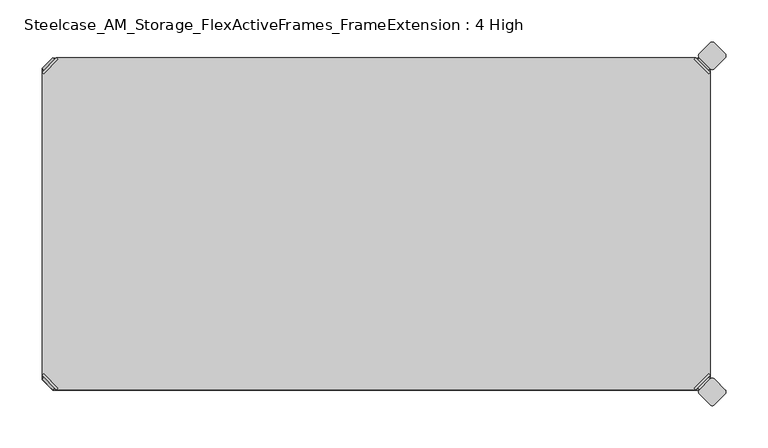
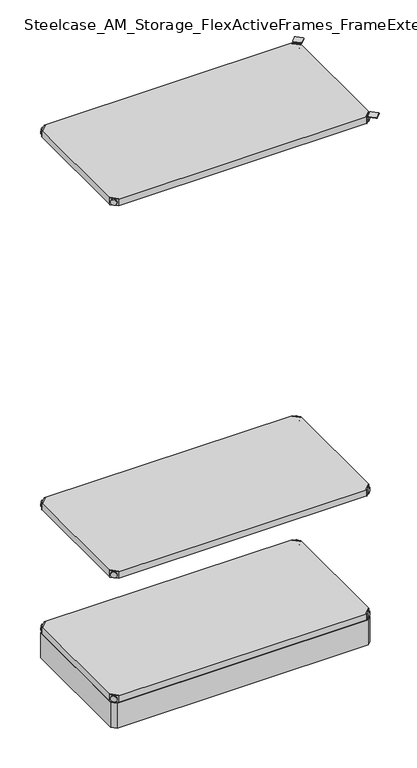
"""IFC4 building model written with IfcOpenShell, lengths in millimetres: furniture geometry, Steelcase_AM_Storage_FlexActiveFrames_FrameExtension : 4 High."""

from ifc_helpers import new_model, si_unit, point, frame, frame_2d, origin, place, context, project, spatial, polyline, circle_curve, trimmed, segment, composite_curve, outline, extrude, source, transform, mapped, element, save
from ifc_brep_helpers import plane_surface, cylinder_surface, advanced_brep


def steelcase_am_storage_flexactiveframes_frameextension_4_high_f2792eac(model_context):
    return source(origin(), model_context, "Body", "SolidModel", [
        advanced_brep(
        [(2.54, -380.2870969, 520.2936), (19.7629031, -397.51, 520.2936), (21.5589544, -395.7139488, 520.2936), (4.3360512, -378.4910456, 520.2936), (2.54, -380.2870969, 498.9576), (19.7629031, -397.51, 498.9576), (4.8652723, -382.6123691, 510.1336), (17.4376309, -395.1847277, 510.1336), (30.2920522, -352.5350447, 499.9736), (4.3360512, -378.4910456, 499.9736), (21.5589544, -395.7139488, 499.9736), (47.5149553, -369.7579478, 499.9736), (30.2920522, -352.5350447, 498.9576), (47.5149553, -369.7579478, 498.9576), (15.1227513, -397.4996073, 510.1336), (2.5503927, -384.9272487, 510.1336)],
        [
            (0, 1),
            (1, 2),
            (2, 3),
            (3, 0),
            (0, 4),
            (4, 5),
            (5, 1),
            (6, 7, circle_curve(frame((11.1514516, -388.8985484, 510.1336), z_axis=(0.7071067811865446, 0.7071067811865505, 0.0), x_axis=(-0.7071067811865505, 0.7071067811865446, 0.0)), 8.89)),
            (7, 6, circle_curve(frame((11.1514516, -388.8985484, 510.1336), z_axis=(0.7071067811865446, 0.7071067811865505, 0.0), x_axis=(-0.7071067811865505, 0.7071067811865446, 0.0)), 8.89)),
            (8, 9),
            (9, 10),
            (10, 11),
            (11, 8, circle_curve(frame((38.9035037, -361.1464963, 499.9736), z_axis=(0.0, 0.0, 1.0), x_axis=(1.0, 0.0, 0.0)), 12.1784316)),
            (12, 13, circle_curve(frame((38.9035037, -361.1464963, 498.9576), z_axis=(0.0, 0.0, -1.0), x_axis=(1.0, 0.0, 0.0)), 12.1784316)),
            (13, 5),
            (4, 12),
            (14, 15, circle_curve(frame((8.836572, -391.213428, 510.1336), z_axis=(-0.7071067811865446, -0.7071067811865505, 0.0), x_axis=(-0.7071067811865505, 0.7071067811865446, 0.0)), 8.89)),
            (15, 14, circle_curve(frame((8.836572, -391.213428, 510.1336), z_axis=(-0.7071067811865446, -0.7071067811865505, 0.0), x_axis=(-0.7071067811865505, 0.7071067811865446, 0.0)), 8.89)),
            (15, 6),
            (7, 14),
            (2, 10),
            (9, 3),
            (11, 13),
            (12, 8),
        ],
        [
            plane_surface(frame((-19.6579872, -402.485084, 520.2936), z_axis=(0.0, 0.0, 1.0000000000000002), x_axis=(0.7071067811865436, 0.7071067811865516, 0.0))),
            plane_surface(frame((19.7629031, -397.51, 520.2936), z_axis=(-0.7071067811865447, -0.7071067811865503, 0.0), x_axis=(0.0, 0.0, -1.0))),
            plane_surface(frame((51.0819353, -361.1464963, 499.9736), z_axis=(0.0, 0.0, 1.0), x_axis=(0.0, -1.0, 0.0))),
            plane_surface(frame((51.0819353, -361.1464963, 498.9576), z_axis=(0.0, 0.0, -1.0), x_axis=(0.0, 1.0, 0.0))),
            plane_surface(frame((2.5503927, -384.9272487, 510.1336), z_axis=(-0.7071067811865446, -0.7071067811865505, 0.0), x_axis=(0.0, 0.0, 1.0))),
            cylinder_surface(frame((11.1514516, -388.8985484, 510.1336), z_axis=(-0.7071067811865446, -0.7071067811865505, 0.0), x_axis=(-0.7071067811865505, 0.7071067811865446, 0.0)), 8.89),
            plane_surface(frame((4.3360512, -378.4910456, 520.2936), z_axis=(0.7071067811865447, 0.7071067811865503, 0.0), x_axis=(0.0, 0.0, -1.0))),
            cylinder_surface(frame((38.9035037, -361.1464963, 498.9576), z_axis=(0.0, 0.0, 1.0), x_axis=(1.0, 0.0, 0.0)), 12.1784316),
            plane_surface(frame((2.54, -380.2870969, 520.2936), z_axis=(-0.7071067811865516, 0.7071067811865436, 0.0), x_axis=(0.0, 0.0, -1.0))),
            plane_surface(frame((21.5589544, -395.7139488, 520.2936), z_axis=(0.7071067811865513, -0.7071067811865437, 0.0), x_axis=(0.0, 0.0, -1.0))),
        ],
        [
            (0, [[1, 2, 3, 4]]),
            (1, [[5, 6, 7, -1], [8, 9]]),
            (2, [[10, 11, 12, 13]]),
            (3, [[14, 15, -6, 16]]),
            (4, [[17, 18]]),
            (5, [[19, -9, 20, -18]]),
            (5, [[-20, -8, -19, -17]]),
            (6, [[21, -11, 22, -3]]),
            (7, [[23, -14, 24, -13]]),
            (8, [[-22, -10, -24, -16, -5, -4]]),
            (9, [[-7, -15, -23, -12, -21, -2]]),
        ],
    ),
        advanced_brep(
        [(797.56, -380.2870969, 520.2936), (795.7639488, -378.4910456, 520.2936), (778.5410456, -395.7139488, 520.2936), (780.3370969, -397.51, 520.2936), (780.3370969, -397.51, 498.9576), (797.56, -380.2870969, 498.9576), (795.2347277, -382.6123691, 510.1336), (782.6623691, -395.1847277, 510.1336), (769.8079478, -352.5350447, 499.9736), (752.5850447, -369.7579478, 499.9736), (778.5410456, -395.7139488, 499.9736), (795.7639488, -378.4910456, 499.9736), (769.8079478, -352.5350447, 498.9576), (752.5850447, -369.7579478, 498.9576), (784.9772487, -397.4996073, 510.1336), (797.5496073, -384.9272487, 510.1336)],
        [
            (0, 1),
            (1, 2),
            (2, 3),
            (3, 0),
            (3, 4),
            (4, 5),
            (5, 0),
            (6, 7, circle_curve(frame((788.9485484, -388.8985484, 510.1336), z_axis=(-0.7071067811865446, 0.7071067811865505, 0.0), x_axis=(0.7071067811865505, 0.7071067811865446, 0.0)), 8.89)),
            (7, 6, circle_curve(frame((788.9485484, -388.8985484, 510.1336), z_axis=(-0.7071067811865446, 0.7071067811865505, 0.0), x_axis=(0.7071067811865505, 0.7071067811865446, 0.0)), 8.89)),
            (8, 9, circle_curve(frame((761.1964963, -361.1464963, 499.9736), z_axis=(0.0, 0.0, 1.0), x_axis=(-1.0, 0.0, 0.0)), 12.1784316)),
            (9, 10),
            (10, 11),
            (11, 8),
            (12, 5),
            (4, 13),
            (13, 12, circle_curve(frame((761.1964963, -361.1464963, 498.9576), z_axis=(0.0, 0.0, -1.0), x_axis=(-1.0, 0.0, 0.0)), 12.1784316)),
            (14, 15, circle_curve(frame((791.263428, -391.213428, 510.1336), z_axis=(0.7071067811865446, -0.7071067811865505, 0.0), x_axis=(0.7071067811865505, 0.7071067811865446, 0.0)), 8.89)),
            (15, 14, circle_curve(frame((791.263428, -391.213428, 510.1336), z_axis=(0.7071067811865446, -0.7071067811865505, 0.0), x_axis=(0.7071067811865505, 0.7071067811865446, 0.0)), 8.89)),
            (14, 7),
            (6, 15),
            (1, 11),
            (10, 2),
            (8, 12),
            (13, 9),
        ],
        [
            plane_surface(frame((819.7579872, -402.485084, 520.2936), z_axis=(0.0, 0.0, 1.0000000000000002), x_axis=(-0.7071067811865436, 0.7071067811865516, 0.0))),
            plane_surface(frame((780.3370969, -397.51, 520.2936), z_axis=(0.7071067811865447, -0.7071067811865503, 0.0), x_axis=(0.0, 0.0, -1.0))),
            plane_surface(frame((749.0180647, -361.1464963, 499.9736), z_axis=(0.0, 0.0, 1.0), x_axis=(0.0, -1.0, 0.0))),
            plane_surface(frame((749.0180647, -361.1464963, 498.9576), z_axis=(0.0, 0.0, -1.0), x_axis=(0.0, 1.0, 0.0))),
            plane_surface(frame((797.5496073, -384.9272487, 510.1336), z_axis=(0.7071067811865446, -0.7071067811865505, 0.0), x_axis=(0.0, 0.0, 1.0))),
            cylinder_surface(frame((788.9485484, -388.8985484, 510.1336), z_axis=(0.7071067811865446, -0.7071067811865505, 0.0), x_axis=(0.7071067811865505, 0.7071067811865446, 0.0)), 8.89),
            plane_surface(frame((795.7639488, -378.4910456, 520.2936), z_axis=(-0.7071067811865447, 0.7071067811865503, 0.0), x_axis=(0.0, 0.0, -1.0))),
            cylinder_surface(frame((761.1964963, -361.1464963, 498.9576), z_axis=(0.0, 0.0, 1.0), x_axis=(-1.0, 0.0, 0.0)), 12.1784316),
            plane_surface(frame((797.56, -380.2870969, 520.2936), z_axis=(0.7071067811865516, 0.7071067811865436, 0.0), x_axis=(0.0, 0.0, -1.0))),
            plane_surface(frame((778.5410456, -395.7139488, 520.2936), z_axis=(-0.7071067811865513, -0.7071067811865437, 0.0), x_axis=(0.0, 0.0, -1.0))),
        ],
        [
            (0, [[1, 2, 3, 4]]),
            (1, [[-4, 5, 6, 7], [8, 9]]),
            (2, [[10, 11, 12, 13]]),
            (3, [[14, -6, 15, 16]]),
            (4, [[17, 18]]),
            (5, [[-17, 19, -8, 20]]),
            (5, [[-18, -20, -9, -19]]),
            (6, [[-2, 21, -12, 22]]),
            (7, [[-10, 23, -16, 24]]),
            (8, [[-1, -7, -14, -23, -13, -21]]),
            (9, [[-3, -22, -11, -24, -15, -5]]),
        ],
    ),
        advanced_brep(
        [(797.56, -19.7629031, 520.2936), (780.3370969, -2.54, 520.2936), (778.5410456, -4.3360512, 520.2936), (795.7639488, -21.5589544, 520.2936), (797.56, -19.7629031, 498.9576), (780.3370969, -2.54, 498.9576), (795.2347277, -17.4376309, 510.1336), (782.6623691, -4.8652723, 510.1336), (769.8079478, -47.5149553, 499.9736), (795.7639488, -21.5589544, 499.9736), (778.5410456, -4.3360512, 499.9736), (752.5850447, -30.2920522, 499.9736), (769.8079478, -47.5149553, 498.9576), (752.5850447, -30.2920522, 498.9576), (784.9772487, -2.5503927, 510.1336), (797.5496073, -15.1227513, 510.1336)],
        [
            (0, 1),
            (1, 2),
            (2, 3),
            (3, 0),
            (0, 4),
            (4, 5),
            (5, 1),
            (6, 7, circle_curve(frame((788.9485484, -11.1514516, 510.1336), z_axis=(-0.7071067811865469, -0.7071067811865481, 0.0), x_axis=(0.7071067811865481, -0.7071067811865469, 0.0)), 8.89)),
            (7, 6, circle_curve(frame((788.9485484, -11.1514516, 510.1336), z_axis=(-0.7071067811865469, -0.7071067811865481, 0.0), x_axis=(0.7071067811865481, -0.7071067811865469, 0.0)), 8.89)),
            (8, 9),
            (9, 10),
            (10, 11),
            (11, 8, circle_curve(frame((761.1964963, -38.9035037, 499.9736), z_axis=(0.0, 0.0, 1.0), x_axis=(-1.0, 0.0, 0.0)), 12.1784316)),
            (12, 13, circle_curve(frame((761.1964963, -38.9035037, 498.9576), z_axis=(0.0, 0.0, -1.0), x_axis=(-1.0, 0.0, 0.0)), 12.1784316)),
            (13, 5),
            (4, 12),
            (14, 15, circle_curve(frame((791.263428, -8.836572, 510.1336), z_axis=(0.7071067811865469, 0.7071067811865481, 0.0), x_axis=(0.7071067811865481, -0.7071067811865469, 0.0)), 8.89)),
            (15, 14, circle_curve(frame((791.263428, -8.836572, 510.1336), z_axis=(0.7071067811865469, 0.7071067811865481, 0.0), x_axis=(0.7071067811865481, -0.7071067811865469, 0.0)), 8.89)),
            (15, 6),
            (7, 14),
            (2, 10),
            (9, 3),
            (11, 13),
            (12, 8),
        ],
        [
            plane_surface(frame((819.7579872, 2.435084, 520.2936), z_axis=(0.0, 0.0, 1.0000000000000002), x_axis=(-0.7071067811865459, -0.7071067811865492, 0.0))),
            plane_surface(frame((780.3370969, -2.54, 520.2936), z_axis=(0.707106781186547, 0.707106781186548, 0.0), x_axis=(0.0, 0.0, -1.0))),
            plane_surface(frame((749.0180647, -38.9035037, 499.9736), z_axis=(0.0, 0.0, 1.0), x_axis=(0.0, 1.0, 0.0))),
            plane_surface(frame((749.0180647, -38.9035037, 498.9576), z_axis=(0.0, 0.0, -1.0), x_axis=(0.0, -1.0, 0.0))),
            plane_surface(frame((797.5496073, -15.1227513, 510.1336), z_axis=(0.7071067811865469, 0.7071067811865481, 0.0), x_axis=(0.0, 0.0, 1.0))),
            cylinder_surface(frame((788.9485484, -11.1514516, 510.1336), z_axis=(0.7071067811865469, 0.7071067811865481, 0.0), x_axis=(0.7071067811865481, -0.7071067811865469, 0.0)), 8.89),
            plane_surface(frame((795.7639488, -21.5589544, 520.2936), z_axis=(-0.707106781186547, -0.707106781186548, 0.0), x_axis=(0.0, 0.0, -1.0))),
            cylinder_surface(frame((761.1964963, -38.9035037, 498.9576), z_axis=(0.0, 0.0, 1.0), x_axis=(-1.0, 0.0, 0.0)), 12.1784316),
            plane_surface(frame((797.56, -19.7629031, 520.2936), z_axis=(0.7071067811865492, -0.7071067811865459, 0.0), x_axis=(0.0, 0.0, -1.0))),
            plane_surface(frame((778.5410456, -4.3360512, 520.2936), z_axis=(-0.707106781186549, 0.707106781186546, 0.0), x_axis=(0.0, 0.0, -1.0))),
        ],
        [
            (0, [[1, 2, 3, 4]]),
            (1, [[5, 6, 7, -1], [8, 9]]),
            (2, [[10, 11, 12, 13]]),
            (3, [[14, 15, -6, 16]]),
            (4, [[17, 18]]),
            (5, [[19, -9, 20, -18]]),
            (5, [[-20, -8, -19, -17]]),
            (6, [[21, -11, 22, -3]]),
            (7, [[23, -14, 24, -13]]),
            (8, [[-22, -10, -24, -16, -5, -4]]),
            (9, [[-7, -15, -23, -12, -21, -2]]),
        ],
    ),
        advanced_brep(
        [(2.54, -19.7629031, 520.2936), (4.3360512, -21.5589544, 520.2936), (21.5589544, -4.3360512, 520.2936), (19.7629031, -2.54, 520.2936), (19.7629031, -2.54, 498.9576), (2.54, -19.7629031, 498.9576), (4.8652723, -17.4376309, 510.1336), (17.4376309, -4.8652723, 510.1336), (30.2920522, -47.5149553, 499.9736), (47.5149553, -30.2920522, 499.9736), (21.5589544, -4.3360512, 499.9736), (4.3360512, -21.5589544, 499.9736), (30.2920522, -47.5149553, 498.9576), (47.5149553, -30.2920522, 498.9576), (15.1227513, -2.5503927, 510.1336), (2.5503927, -15.1227513, 510.1336)],
        [
            (0, 1),
            (1, 2),
            (2, 3),
            (3, 0),
            (3, 4),
            (4, 5),
            (5, 0),
            (6, 7, circle_curve(frame((11.1514516, -11.1514516, 510.1336), z_axis=(0.7071067811865469, -0.7071067811865481, 0.0), x_axis=(-0.7071067811865481, -0.7071067811865469, 0.0)), 8.89)),
            (7, 6, circle_curve(frame((11.1514516, -11.1514516, 510.1336), z_axis=(0.7071067811865469, -0.7071067811865481, 0.0), x_axis=(-0.7071067811865481, -0.7071067811865469, 0.0)), 8.89)),
            (8, 9, circle_curve(frame((38.9035037, -38.9035037, 499.9736), z_axis=(0.0, 0.0, 1.0), x_axis=(1.0, 0.0, 0.0)), 12.1784316)),
            (9, 10),
            (10, 11),
            (11, 8),
            (12, 5),
            (4, 13),
            (13, 12, circle_curve(frame((38.9035037, -38.9035037, 498.9576), z_axis=(0.0, 0.0, -1.0), x_axis=(1.0, 0.0, 0.0)), 12.1784316)),
            (14, 15, circle_curve(frame((8.836572, -8.836572, 510.1336), z_axis=(-0.7071067811865469, 0.7071067811865481, 0.0), x_axis=(-0.7071067811865481, -0.7071067811865469, 0.0)), 8.89)),
            (15, 14, circle_curve(frame((8.836572, -8.836572, 510.1336), z_axis=(-0.7071067811865469, 0.7071067811865481, 0.0), x_axis=(-0.7071067811865481, -0.7071067811865469, 0.0)), 8.89)),
            (14, 7),
            (6, 15),
            (1, 11),
            (10, 2),
            (8, 12),
            (13, 9),
        ],
        [
            plane_surface(frame((-19.6579872, 2.435084, 520.2936), z_axis=(0.0, 0.0, 1.0000000000000002), x_axis=(0.7071067811865459, -0.7071067811865492, 0.0))),
            plane_surface(frame((19.7629031, -2.54, 520.2936), z_axis=(-0.707106781186547, 0.707106781186548, 0.0), x_axis=(0.0, 0.0, -1.0))),
            plane_surface(frame((51.0819353, -38.9035037, 499.9736), z_axis=(0.0, 0.0, 1.0), x_axis=(0.0, 1.0, 0.0))),
            plane_surface(frame((51.0819353, -38.9035037, 498.9576), z_axis=(0.0, 0.0, -1.0), x_axis=(0.0, -1.0, 0.0))),
            plane_surface(frame((2.5503927, -15.1227513, 510.1336), z_axis=(-0.7071067811865469, 0.7071067811865481, 0.0), x_axis=(0.0, 0.0, 1.0))),
            cylinder_surface(frame((11.1514516, -11.1514516, 510.1336), z_axis=(-0.7071067811865469, 0.7071067811865481, 0.0), x_axis=(-0.7071067811865481, -0.7071067811865469, 0.0)), 8.89),
            plane_surface(frame((4.3360512, -21.5589544, 520.2936), z_axis=(0.707106781186547, -0.707106781186548, 0.0), x_axis=(0.0, 0.0, -1.0))),
            cylinder_surface(frame((38.9035037, -38.9035037, 498.9576), z_axis=(0.0, 0.0, 1.0), x_axis=(1.0, 0.0, 0.0)), 12.1784316),
            plane_surface(frame((2.54, -19.7629031, 520.2936), z_axis=(-0.7071067811865492, -0.7071067811865459, 0.0), x_axis=(0.0, 0.0, -1.0))),
            plane_surface(frame((21.5589544, -4.3360512, 520.2936), z_axis=(0.707106781186549, 0.707106781186546, 0.0), x_axis=(0.0, 0.0, -1.0))),
        ],
        [
            (0, [[1, 2, 3, 4]]),
            (1, [[-4, 5, 6, 7], [8, 9]]),
            (2, [[10, 11, 12, 13]]),
            (3, [[14, -6, 15, 16]]),
            (4, [[17, 18]]),
            (5, [[-17, 19, -8, 20]]),
            (5, [[-18, -20, -9, -19]]),
            (6, [[-2, 21, -12, 22]]),
            (7, [[-10, 23, -16, 24]]),
            (8, [[-1, -7, -14, -23, -13, -21]]),
            (9, [[-3, -22, -11, -24, -15, -5]]),
        ],
    ),
        extrude(outline(polyline([(19.7629031, -2.54), (780.3370969, -2.54), (778.5410456, -4.3360512), (795.7639488, -21.5589544), (797.56, -19.7629031), (797.56, -380.2870969), (795.7639488, -378.4910456), (778.5410456, -395.7139488), (780.3370969, -397.51), (19.7629031, -397.51), (21.5589544, -395.7139488), (4.3360512, -378.4910456), (2.54, -380.2870969), (2.54, -19.7629031), (4.3360512, -21.5589544), (21.5589544, -4.3360512), (19.7629031, -2.54)])), frame((0.0, 0.0, 499.9736), z_axis=(0.0, 0.0, 1.0), x_axis=(1.0, 0.0, 0.0)), (0.0, 0.0, 1.0), 20.32),
        advanced_brep(
        [(2.54, -380.2870969, 1725.93), (19.7629031, -397.51, 1725.93), (21.5589544, -395.7139488, 1725.93), (4.3360512, -378.4910456, 1725.93), (2.54, -380.2870969, 1704.594), (19.7629031, -397.51, 1704.594), (4.8652723, -382.6123691, 1715.77), (17.4376309, -395.1847277, 1715.77), (30.2920522, -352.5350447, 1705.61), (4.3360512, -378.4910456, 1705.61), (21.5589544, -395.7139488, 1705.61), (47.5149553, -369.7579478, 1705.61), (30.2920522, -352.5350447, 1704.594), (47.5149553, -369.7579478, 1704.594), (15.1227513, -397.4996073, 1715.77), (2.5503927, -384.9272487, 1715.77)],
        [
            (0, 1),
            (1, 2),
            (2, 3),
            (3, 0),
            (0, 4),
            (4, 5),
            (5, 1),
            (6, 7, circle_curve(frame((11.1514516, -388.8985484, 1715.77), z_axis=(0.7071067811865446, 0.7071067811865505, 0.0), x_axis=(-0.7071067811865505, 0.7071067811865446, 0.0)), 8.89)),
            (7, 6, circle_curve(frame((11.1514516, -388.8985484, 1715.77), z_axis=(0.7071067811865446, 0.7071067811865505, 0.0), x_axis=(-0.7071067811865505, 0.7071067811865446, 0.0)), 8.89)),
            (8, 9),
            (9, 10),
            (10, 11),
            (11, 8, circle_curve(frame((38.9035037, -361.1464963, 1705.61), z_axis=(0.0, 0.0, 1.0), x_axis=(1.0, 0.0, 0.0)), 12.1784316)),
            (12, 13, circle_curve(frame((38.9035037, -361.1464963, 1704.594), z_axis=(0.0, 0.0, -1.0), x_axis=(1.0, 0.0, 0.0)), 12.1784316)),
            (13, 5),
            (4, 12),
            (14, 15, circle_curve(frame((8.836572, -391.213428, 1715.77), z_axis=(-0.7071067811865446, -0.7071067811865505, 0.0), x_axis=(-0.7071067811865505, 0.7071067811865446, 0.0)), 8.89)),
            (15, 14, circle_curve(frame((8.836572, -391.213428, 1715.77), z_axis=(-0.7071067811865446, -0.7071067811865505, 0.0), x_axis=(-0.7071067811865505, 0.7071067811865446, 0.0)), 8.89)),
            (15, 6),
            (7, 14),
            (2, 10),
            (9, 3),
            (11, 13),
            (12, 8),
        ],
        [
            plane_surface(frame((-19.6579872, -402.485084, 1725.93), z_axis=(0.0, 0.0, 1.0000000000000002), x_axis=(0.7071067811865436, 0.7071067811865516, 0.0))),
            plane_surface(frame((19.7629031, -397.51, 1725.93), z_axis=(-0.7071067811865447, -0.7071067811865503, 0.0), x_axis=(0.0, 0.0, -1.0))),
            plane_surface(frame((51.0819353, -361.1464963, 1705.61), z_axis=(0.0, 0.0, 1.0), x_axis=(0.0, -1.0, 0.0))),
            plane_surface(frame((51.0819353, -361.1464963, 1704.594), z_axis=(0.0, 0.0, -1.0), x_axis=(0.0, 1.0, 0.0))),
            plane_surface(frame((2.5503927, -384.9272487, 1715.77), z_axis=(-0.7071067811865446, -0.7071067811865505, 0.0), x_axis=(0.0, 0.0, 1.0))),
            cylinder_surface(frame((11.1514516, -388.8985484, 1715.77), z_axis=(-0.7071067811865446, -0.7071067811865505, 0.0), x_axis=(-0.7071067811865505, 0.7071067811865446, 0.0)), 8.89),
            plane_surface(frame((4.3360512, -378.4910456, 1725.93), z_axis=(0.7071067811865447, 0.7071067811865503, 0.0), x_axis=(0.0, 0.0, -1.0))),
            cylinder_surface(frame((38.9035037, -361.1464963, 1704.594), z_axis=(0.0, 0.0, 1.0), x_axis=(1.0, 0.0, 0.0)), 12.1784316),
            plane_surface(frame((2.54, -380.2870969, 1725.93), z_axis=(-0.7071067811865516, 0.7071067811865436, 0.0), x_axis=(0.0, 0.0, -1.0))),
            plane_surface(frame((21.5589544, -395.7139488, 1725.93), z_axis=(0.7071067811865513, -0.7071067811865437, 0.0), x_axis=(0.0, 0.0, -1.0))),
        ],
        [
            (0, [[1, 2, 3, 4]]),
            (1, [[5, 6, 7, -1], [8, 9]]),
            (2, [[10, 11, 12, 13]]),
            (3, [[14, 15, -6, 16]]),
            (4, [[17, 18]]),
            (5, [[19, -9, 20, -18]]),
            (5, [[-20, -8, -19, -17]]),
            (6, [[21, -11, 22, -3]]),
            (7, [[23, -14, 24, -13]]),
            (8, [[-22, -10, -24, -16, -5, -4]]),
            (9, [[-7, -15, -23, -12, -21, -2]]),
        ],
    ),
        advanced_brep(
        [(797.56, -380.2870969, 1725.93), (795.7639488, -378.4910456, 1725.93), (778.5410456, -395.7139488, 1725.93), (780.3370969, -397.51, 1725.93), (780.3370969, -397.51, 1704.594), (797.56, -380.2870969, 1704.594), (795.2347277, -382.6123691, 1715.77), (782.6623691, -395.1847277, 1715.77), (769.8079478, -352.5350447, 1705.61), (752.5850447, -369.7579478, 1705.61), (778.5410456, -395.7139488, 1705.61), (795.7639488, -378.4910456, 1705.61), (769.8079478, -352.5350447, 1704.594), (752.5850447, -369.7579478, 1704.594), (784.9772487, -397.4996073, 1715.77), (797.5496073, -384.9272487, 1715.77)],
        [
            (0, 1),
            (1, 2),
            (2, 3),
            (3, 0),
            (3, 4),
            (4, 5),
            (5, 0),
            (6, 7, circle_curve(frame((788.9485484, -388.8985484, 1715.77), z_axis=(-0.7071067811865446, 0.7071067811865505, 0.0), x_axis=(0.7071067811865505, 0.7071067811865446, 0.0)), 8.89)),
            (7, 6, circle_curve(frame((788.9485484, -388.8985484, 1715.77), z_axis=(-0.7071067811865446, 0.7071067811865505, 0.0), x_axis=(0.7071067811865505, 0.7071067811865446, 0.0)), 8.89)),
            (8, 9, circle_curve(frame((761.1964963, -361.1464963, 1705.61), z_axis=(0.0, 0.0, 1.0), x_axis=(-1.0, 0.0, 0.0)), 12.1784316)),
            (9, 10),
            (10, 11),
            (11, 8),
            (12, 5),
            (4, 13),
            (13, 12, circle_curve(frame((761.1964963, -361.1464963, 1704.594), z_axis=(0.0, 0.0, -1.0), x_axis=(-1.0, 0.0, 0.0)), 12.1784316)),
            (14, 15, circle_curve(frame((791.263428, -391.213428, 1715.77), z_axis=(0.7071067811865446, -0.7071067811865505, 0.0), x_axis=(0.7071067811865505, 0.7071067811865446, 0.0)), 8.89)),
            (15, 14, circle_curve(frame((791.263428, -391.213428, 1715.77), z_axis=(0.7071067811865446, -0.7071067811865505, 0.0), x_axis=(0.7071067811865505, 0.7071067811865446, 0.0)), 8.89)),
            (14, 7),
            (6, 15),
            (1, 11),
            (10, 2),
            (8, 12),
            (13, 9),
        ],
        [
            plane_surface(frame((819.7579872, -402.485084, 1725.93), z_axis=(0.0, 0.0, 1.0000000000000002), x_axis=(-0.7071067811865436, 0.7071067811865516, 0.0))),
            plane_surface(frame((780.3370969, -397.51, 1725.93), z_axis=(0.7071067811865447, -0.7071067811865503, 0.0), x_axis=(0.0, 0.0, -1.0))),
            plane_surface(frame((749.0180647, -361.1464963, 1705.61), z_axis=(0.0, 0.0, 1.0), x_axis=(0.0, -1.0, 0.0))),
            plane_surface(frame((749.0180647, -361.1464963, 1704.594), z_axis=(0.0, 0.0, -1.0), x_axis=(0.0, 1.0, 0.0))),
            plane_surface(frame((797.5496073, -384.9272487, 1715.77), z_axis=(0.7071067811865446, -0.7071067811865505, 0.0), x_axis=(0.0, 0.0, 1.0))),
            cylinder_surface(frame((788.9485484, -388.8985484, 1715.77), z_axis=(0.7071067811865446, -0.7071067811865505, 0.0), x_axis=(0.7071067811865505, 0.7071067811865446, 0.0)), 8.89),
            plane_surface(frame((795.7639488, -378.4910456, 1725.93), z_axis=(-0.7071067811865447, 0.7071067811865503, 0.0), x_axis=(0.0, 0.0, -1.0))),
            cylinder_surface(frame((761.1964963, -361.1464963, 1704.594), z_axis=(0.0, 0.0, 1.0), x_axis=(-1.0, 0.0, 0.0)), 12.1784316),
            plane_surface(frame((797.56, -380.2870969, 1725.93), z_axis=(0.7071067811865516, 0.7071067811865436, 0.0), x_axis=(0.0, 0.0, -1.0))),
            plane_surface(frame((778.5410456, -395.7139488, 1725.93), z_axis=(-0.7071067811865513, -0.7071067811865437, 0.0), x_axis=(0.0, 0.0, -1.0))),
        ],
        [
            (0, [[1, 2, 3, 4]]),
            (1, [[-4, 5, 6, 7], [8, 9]]),
            (2, [[10, 11, 12, 13]]),
            (3, [[14, -6, 15, 16]]),
            (4, [[17, 18]]),
            (5, [[-17, 19, -8, 20]]),
            (5, [[-18, -20, -9, -19]]),
            (6, [[-2, 21, -12, 22]]),
            (7, [[-10, 23, -16, 24]]),
            (8, [[-1, -7, -14, -23, -13, -21]]),
            (9, [[-3, -22, -11, -24, -15, -5]]),
        ],
    ),
        advanced_brep(
        [(797.56, -19.7629031, 1725.93), (780.3370969, -2.54, 1725.93), (778.5410456, -4.3360512, 1725.93), (795.7639488, -21.5589544, 1725.93), (797.56, -19.7629031, 1704.594), (780.3370969, -2.54, 1704.594), (795.2347277, -17.4376309, 1715.77), (782.6623691, -4.8652723, 1715.77), (769.8079478, -47.5149553, 1705.61), (795.7639488, -21.5589544, 1705.61), (778.5410456, -4.3360512, 1705.61), (752.5850447, -30.2920522, 1705.61), (769.8079478, -47.5149553, 1704.594), (752.5850447, -30.2920522, 1704.594), (784.9772487, -2.5503927, 1715.77), (797.5496073, -15.1227513, 1715.77)],
        [
            (0, 1),
            (1, 2),
            (2, 3),
            (3, 0),
            (0, 4),
            (4, 5),
            (5, 1),
            (6, 7, circle_curve(frame((788.9485484, -11.1514516, 1715.77), z_axis=(-0.7071067811865469, -0.7071067811865481, 0.0), x_axis=(0.7071067811865481, -0.7071067811865469, 0.0)), 8.89)),
            (7, 6, circle_curve(frame((788.9485484, -11.1514516, 1715.77), z_axis=(-0.7071067811865469, -0.7071067811865481, 0.0), x_axis=(0.7071067811865481, -0.7071067811865469, 0.0)), 8.89)),
            (8, 9),
            (9, 10),
            (10, 11),
            (11, 8, circle_curve(frame((761.1964963, -38.9035037, 1705.61), z_axis=(0.0, 0.0, 1.0), x_axis=(-1.0, 0.0, 0.0)), 12.1784316)),
            (12, 13, circle_curve(frame((761.1964963, -38.9035037, 1704.594), z_axis=(0.0, 0.0, -1.0), x_axis=(-1.0, 0.0, 0.0)), 12.1784316)),
            (13, 5),
            (4, 12),
            (14, 15, circle_curve(frame((791.263428, -8.836572, 1715.77), z_axis=(0.7071067811865469, 0.7071067811865481, 0.0), x_axis=(0.7071067811865481, -0.7071067811865469, 0.0)), 8.89)),
            (15, 14, circle_curve(frame((791.263428, -8.836572, 1715.77), z_axis=(0.7071067811865469, 0.7071067811865481, 0.0), x_axis=(0.7071067811865481, -0.7071067811865469, 0.0)), 8.89)),
            (15, 6),
            (7, 14),
            (2, 10),
            (9, 3),
            (11, 13),
            (12, 8),
        ],
        [
            plane_surface(frame((819.7579872, 2.435084, 1725.93), z_axis=(0.0, 0.0, 1.0000000000000002), x_axis=(-0.7071067811865459, -0.7071067811865492, 0.0))),
            plane_surface(frame((780.3370969, -2.54, 1725.93), z_axis=(0.707106781186547, 0.707106781186548, 0.0), x_axis=(0.0, 0.0, -1.0))),
            plane_surface(frame((749.0180647, -38.9035037, 1705.61), z_axis=(0.0, 0.0, 1.0), x_axis=(0.0, 1.0, 0.0))),
            plane_surface(frame((749.0180647, -38.9035037, 1704.594), z_axis=(0.0, 0.0, -1.0), x_axis=(0.0, -1.0, 0.0))),
            plane_surface(frame((797.5496073, -15.1227513, 1715.77), z_axis=(0.7071067811865469, 0.7071067811865481, 0.0), x_axis=(0.0, 0.0, 1.0))),
            cylinder_surface(frame((788.9485484, -11.1514516, 1715.77), z_axis=(0.7071067811865469, 0.7071067811865481, 0.0), x_axis=(0.7071067811865481, -0.7071067811865469, 0.0)), 8.89),
            plane_surface(frame((795.7639488, -21.5589544, 1725.93), z_axis=(-0.707106781186547, -0.707106781186548, 0.0), x_axis=(0.0, 0.0, -1.0))),
            cylinder_surface(frame((761.1964963, -38.9035037, 1704.594), z_axis=(0.0, 0.0, 1.0), x_axis=(-1.0, 0.0, 0.0)), 12.1784316),
            plane_surface(frame((797.56, -19.7629031, 1725.93), z_axis=(0.7071067811865492, -0.7071067811865459, 0.0), x_axis=(0.0, 0.0, -1.0))),
            plane_surface(frame((778.5410456, -4.3360512, 1725.93), z_axis=(-0.707106781186549, 0.707106781186546, 0.0), x_axis=(0.0, 0.0, -1.0))),
        ],
        [
            (0, [[1, 2, 3, 4]]),
            (1, [[5, 6, 7, -1], [8, 9]]),
            (2, [[10, 11, 12, 13]]),
            (3, [[14, 15, -6, 16]]),
            (4, [[17, 18]]),
            (5, [[19, -9, 20, -18]]),
            (5, [[-20, -8, -19, -17]]),
            (6, [[21, -11, 22, -3]]),
            (7, [[23, -14, 24, -13]]),
            (8, [[-22, -10, -24, -16, -5, -4]]),
            (9, [[-7, -15, -23, -12, -21, -2]]),
        ],
    ),
        advanced_brep(
        [(2.54, -19.7629031, 1725.93), (4.3360512, -21.5589544, 1725.93), (21.5589544, -4.3360512, 1725.93), (19.7629031, -2.54, 1725.93), (19.7629031, -2.54, 1704.594), (2.54, -19.7629031, 1704.594), (4.8652723, -17.4376309, 1715.77), (17.4376309, -4.8652723, 1715.77), (30.2920522, -47.5149553, 1705.61), (47.5149553, -30.2920522, 1705.61), (21.5589544, -4.3360512, 1705.61), (4.3360512, -21.5589544, 1705.61), (30.2920522, -47.5149553, 1704.594), (47.5149553, -30.2920522, 1704.594), (15.1227513, -2.5503927, 1715.77), (2.5503927, -15.1227513, 1715.77)],
        [
            (0, 1),
            (1, 2),
            (2, 3),
            (3, 0),
            (3, 4),
            (4, 5),
            (5, 0),
            (6, 7, circle_curve(frame((11.1514516, -11.1514516, 1715.77), z_axis=(0.7071067811865469, -0.7071067811865481, 0.0), x_axis=(-0.7071067811865481, -0.7071067811865469, 0.0)), 8.89)),
            (7, 6, circle_curve(frame((11.1514516, -11.1514516, 1715.77), z_axis=(0.7071067811865469, -0.7071067811865481, 0.0), x_axis=(-0.7071067811865481, -0.7071067811865469, 0.0)), 8.89)),
            (8, 9, circle_curve(frame((38.9035037, -38.9035037, 1705.61), z_axis=(0.0, 0.0, 1.0), x_axis=(1.0, 0.0, 0.0)), 12.1784316)),
            (9, 10),
            (10, 11),
            (11, 8),
            (12, 5),
            (4, 13),
            (13, 12, circle_curve(frame((38.9035037, -38.9035037, 1704.594), z_axis=(0.0, 0.0, -1.0), x_axis=(1.0, 0.0, 0.0)), 12.1784316)),
            (14, 15, circle_curve(frame((8.836572, -8.836572, 1715.77), z_axis=(-0.7071067811865469, 0.7071067811865481, 0.0), x_axis=(-0.7071067811865481, -0.7071067811865469, 0.0)), 8.89)),
            (15, 14, circle_curve(frame((8.836572, -8.836572, 1715.77), z_axis=(-0.7071067811865469, 0.7071067811865481, 0.0), x_axis=(-0.7071067811865481, -0.7071067811865469, 0.0)), 8.89)),
            (14, 7),
            (6, 15),
            (1, 11),
            (10, 2),
            (8, 12),
            (13, 9),
        ],
        [
            plane_surface(frame((-19.6579872, 2.435084, 1725.93), z_axis=(0.0, 0.0, 1.0000000000000002), x_axis=(0.7071067811865459, -0.7071067811865492, 0.0))),
            plane_surface(frame((19.7629031, -2.54, 1725.93), z_axis=(-0.707106781186547, 0.707106781186548, 0.0), x_axis=(0.0, 0.0, -1.0))),
            plane_surface(frame((51.0819353, -38.9035037, 1705.61), z_axis=(0.0, 0.0, 1.0), x_axis=(0.0, 1.0, 0.0))),
            plane_surface(frame((51.0819353, -38.9035037, 1704.594), z_axis=(0.0, 0.0, -1.0), x_axis=(0.0, -1.0, 0.0))),
            plane_surface(frame((2.5503927, -15.1227513, 1715.77), z_axis=(-0.7071067811865469, 0.7071067811865481, 0.0), x_axis=(0.0, 0.0, 1.0))),
            cylinder_surface(frame((11.1514516, -11.1514516, 1715.77), z_axis=(-0.7071067811865469, 0.7071067811865481, 0.0), x_axis=(-0.7071067811865481, -0.7071067811865469, 0.0)), 8.89),
            plane_surface(frame((4.3360512, -21.5589544, 1725.93), z_axis=(0.707106781186547, -0.707106781186548, 0.0), x_axis=(0.0, 0.0, -1.0))),
            cylinder_surface(frame((38.9035037, -38.9035037, 1704.594), z_axis=(0.0, 0.0, 1.0), x_axis=(1.0, 0.0, 0.0)), 12.1784316),
            plane_surface(frame((2.54, -19.7629031, 1725.93), z_axis=(-0.7071067811865492, -0.7071067811865459, 0.0), x_axis=(0.0, 0.0, -1.0))),
            plane_surface(frame((21.5589544, -4.3360512, 1725.93), z_axis=(0.707106781186549, 0.707106781186546, 0.0), x_axis=(0.0, 0.0, -1.0))),
        ],
        [
            (0, [[1, 2, 3, 4]]),
            (1, [[-4, 5, 6, 7], [8, 9]]),
            (2, [[10, 11, 12, 13]]),
            (3, [[14, -6, 15, 16]]),
            (4, [[17, 18]]),
            (5, [[-17, 19, -8, 20]]),
            (5, [[-18, -20, -9, -19]]),
            (6, [[-2, 21, -12, 22]]),
            (7, [[-10, 23, -16, 24]]),
            (8, [[-1, -7, -14, -23, -13, -21]]),
            (9, [[-3, -22, -11, -24, -15, -5]]),
        ],
    ),
        extrude(outline(polyline([(19.7629031, -2.54), (780.3370969, -2.54), (778.5410456, -4.3360512), (795.7639488, -21.5589544), (797.56, -19.7629031), (797.56, -380.2870969), (795.7639488, -378.4910456), (778.5410456, -395.7139488), (780.3370969, -397.51), (19.7629031, -397.51), (21.5589544, -395.7139488), (4.3360512, -378.4910456), (2.54, -380.2870969), (2.54, -19.7629031), (4.3360512, -21.5589544), (21.5589544, -4.3360512), (19.7629031, -2.54)])), frame((0.0, 0.0, 1705.61), z_axis=(0.0, 0.0, 1.0), x_axis=(1.0, 0.0, 0.0)), (0.0, 0.0, 1.0), 20.32),
        advanced_brep(
        [(2.54, -380.2870969, 118.9736), (19.7629031, -397.51, 118.9736), (21.5589544, -395.7139488, 118.9736), (4.3360512, -378.4910456, 118.9736), (2.54, -380.2870969, 97.6376), (19.7629031, -397.51, 97.6376), (4.8652723, -382.6123691, 108.8136), (17.4376309, -395.1847277, 108.8136), (30.2920522, -352.5350447, 98.6536), (4.3360512, -378.4910456, 98.6536), (21.5589544, -395.7139488, 98.6536), (47.5149553, -369.7579478, 98.6536), (30.2920522, -352.5350447, 97.6376), (47.5149553, -369.7579478, 97.6376), (15.1227513, -397.4996073, 108.8136), (2.5503927, -384.9272487, 108.8136)],
        [
            (0, 1),
            (1, 2),
            (2, 3),
            (3, 0),
            (0, 4),
            (4, 5),
            (5, 1),
            (6, 7, circle_curve(frame((11.1514516, -388.8985484, 108.8136), z_axis=(0.7071067811865446, 0.7071067811865505, 0.0), x_axis=(-0.7071067811865505, 0.7071067811865446, 0.0)), 8.89)),
            (7, 6, circle_curve(frame((11.1514516, -388.8985484, 108.8136), z_axis=(0.7071067811865446, 0.7071067811865505, 0.0), x_axis=(-0.7071067811865505, 0.7071067811865446, 0.0)), 8.89)),
            (8, 9),
            (9, 10),
            (10, 11),
            (11, 8, circle_curve(frame((38.9035037, -361.1464963, 98.6536), z_axis=(0.0, 0.0, 1.0), x_axis=(1.0, 0.0, 0.0)), 12.1784316)),
            (12, 13, circle_curve(frame((38.9035037, -361.1464963, 97.6376), z_axis=(0.0, 0.0, -1.0), x_axis=(1.0, 0.0, 0.0)), 12.1784316)),
            (13, 5),
            (4, 12),
            (14, 15, circle_curve(frame((8.836572, -391.213428, 108.8136), z_axis=(-0.7071067811865446, -0.7071067811865505, 0.0), x_axis=(-0.7071067811865505, 0.7071067811865446, 0.0)), 8.89)),
            (15, 14, circle_curve(frame((8.836572, -391.213428, 108.8136), z_axis=(-0.7071067811865446, -0.7071067811865505, 0.0), x_axis=(-0.7071067811865505, 0.7071067811865446, 0.0)), 8.89)),
            (15, 6),
            (7, 14),
            (2, 10),
            (9, 3),
            (11, 13),
            (12, 8),
        ],
        [
            plane_surface(frame((-19.6579872, -402.485084, 118.9736), z_axis=(0.0, 0.0, 1.0000000000000002), x_axis=(0.7071067811865436, 0.7071067811865516, 0.0))),
            plane_surface(frame((19.7629031, -397.51, 118.9736), z_axis=(-0.7071067811865447, -0.7071067811865503, 0.0), x_axis=(0.0, 0.0, -1.0))),
            plane_surface(frame((51.0819353, -361.1464963, 98.6536), z_axis=(0.0, 0.0, 1.0), x_axis=(0.0, -1.0, 0.0))),
            plane_surface(frame((51.0819353, -361.1464963, 97.6376), z_axis=(0.0, 0.0, -1.0), x_axis=(0.0, 1.0, 0.0))),
            plane_surface(frame((2.5503927, -384.9272487, 108.8136), z_axis=(-0.7071067811865446, -0.7071067811865505, 0.0), x_axis=(0.0, 0.0, 1.0))),
            cylinder_surface(frame((11.1514516, -388.8985484, 108.8136), z_axis=(-0.7071067811865446, -0.7071067811865505, 0.0), x_axis=(-0.7071067811865505, 0.7071067811865446, 0.0)), 8.89),
            plane_surface(frame((4.3360512, -378.4910456, 118.9736), z_axis=(0.7071067811865447, 0.7071067811865503, 0.0), x_axis=(0.0, 0.0, -1.0))),
            cylinder_surface(frame((38.9035037, -361.1464963, 97.6376), z_axis=(0.0, 0.0, 1.0), x_axis=(1.0, 0.0, 0.0)), 12.1784316),
            plane_surface(frame((2.54, -380.2870969, 118.9736), z_axis=(-0.7071067811865516, 0.7071067811865436, 0.0), x_axis=(0.0, 0.0, -1.0))),
            plane_surface(frame((21.5589544, -395.7139488, 118.9736), z_axis=(0.7071067811865513, -0.7071067811865437, 0.0), x_axis=(0.0, 0.0, -1.0))),
        ],
        [
            (0, [[1, 2, 3, 4]]),
            (1, [[5, 6, 7, -1], [8, 9]]),
            (2, [[10, 11, 12, 13]]),
            (3, [[14, 15, -6, 16]]),
            (4, [[17, 18]]),
            (5, [[19, -9, 20, -18]]),
            (5, [[-20, -8, -19, -17]]),
            (6, [[21, -11, 22, -3]]),
            (7, [[23, -14, 24, -13]]),
            (8, [[-22, -10, -24, -16, -5, -4]]),
            (9, [[-7, -15, -23, -12, -21, -2]]),
        ],
    ),
        advanced_brep(
        [(797.56, -380.2870969, 118.9736), (795.7639488, -378.4910456, 118.9736), (778.5410456, -395.7139488, 118.9736), (780.3370969, -397.51, 118.9736), (780.3370969, -397.51, 97.6376), (797.56, -380.2870969, 97.6376), (795.2347277, -382.6123691, 108.8136), (782.6623691, -395.1847277, 108.8136), (769.8079478, -352.5350447, 98.6536), (752.5850447, -369.7579478, 98.6536), (778.5410456, -395.7139488, 98.6536), (795.7639488, -378.4910456, 98.6536), (769.8079478, -352.5350447, 97.6376), (752.5850447, -369.7579478, 97.6376), (784.9772487, -397.4996073, 108.8136), (797.5496073, -384.9272487, 108.8136)],
        [
            (0, 1),
            (1, 2),
            (2, 3),
            (3, 0),
            (3, 4),
            (4, 5),
            (5, 0),
            (6, 7, circle_curve(frame((788.9485484, -388.8985484, 108.8136), z_axis=(-0.7071067811865446, 0.7071067811865505, 0.0), x_axis=(0.7071067811865505, 0.7071067811865446, 0.0)), 8.89)),
            (7, 6, circle_curve(frame((788.9485484, -388.8985484, 108.8136), z_axis=(-0.7071067811865446, 0.7071067811865505, 0.0), x_axis=(0.7071067811865505, 0.7071067811865446, 0.0)), 8.89)),
            (8, 9, circle_curve(frame((761.1964963, -361.1464963, 98.6536), z_axis=(0.0, 0.0, 1.0), x_axis=(-1.0, 0.0, 0.0)), 12.1784316)),
            (9, 10),
            (10, 11),
            (11, 8),
            (12, 5),
            (4, 13),
            (13, 12, circle_curve(frame((761.1964963, -361.1464963, 97.6376), z_axis=(0.0, 0.0, -1.0), x_axis=(-1.0, 0.0, 0.0)), 12.1784316)),
            (14, 15, circle_curve(frame((791.263428, -391.213428, 108.8136), z_axis=(0.7071067811865446, -0.7071067811865505, 0.0), x_axis=(0.7071067811865505, 0.7071067811865446, 0.0)), 8.89)),
            (15, 14, circle_curve(frame((791.263428, -391.213428, 108.8136), z_axis=(0.7071067811865446, -0.7071067811865505, 0.0), x_axis=(0.7071067811865505, 0.7071067811865446, 0.0)), 8.89)),
            (14, 7),
            (6, 15),
            (1, 11),
            (10, 2),
            (8, 12),
            (13, 9),
        ],
        [
            plane_surface(frame((819.7579872, -402.485084, 118.9736), z_axis=(0.0, 0.0, 1.0000000000000002), x_axis=(-0.7071067811865436, 0.7071067811865516, 0.0))),
            plane_surface(frame((780.3370969, -397.51, 118.9736), z_axis=(0.7071067811865447, -0.7071067811865503, 0.0), x_axis=(0.0, 0.0, -1.0))),
            plane_surface(frame((749.0180647, -361.1464963, 98.6536), z_axis=(0.0, 0.0, 1.0), x_axis=(0.0, -1.0, 0.0))),
            plane_surface(frame((749.0180647, -361.1464963, 97.6376), z_axis=(0.0, 0.0, -1.0), x_axis=(0.0, 1.0, 0.0))),
            plane_surface(frame((797.5496073, -384.9272487, 108.8136), z_axis=(0.7071067811865446, -0.7071067811865505, 0.0), x_axis=(0.0, 0.0, 1.0))),
            cylinder_surface(frame((788.9485484, -388.8985484, 108.8136), z_axis=(0.7071067811865446, -0.7071067811865505, 0.0), x_axis=(0.7071067811865505, 0.7071067811865446, 0.0)), 8.89),
            plane_surface(frame((795.7639488, -378.4910456, 118.9736), z_axis=(-0.7071067811865447, 0.7071067811865503, 0.0), x_axis=(0.0, 0.0, -1.0))),
            cylinder_surface(frame((761.1964963, -361.1464963, 97.6376), z_axis=(0.0, 0.0, 1.0), x_axis=(-1.0, 0.0, 0.0)), 12.1784316),
            plane_surface(frame((797.56, -380.2870969, 118.9736), z_axis=(0.7071067811865516, 0.7071067811865436, 0.0), x_axis=(0.0, 0.0, -1.0))),
            plane_surface(frame((778.5410456, -395.7139488, 118.9736), z_axis=(-0.7071067811865513, -0.7071067811865437, 0.0), x_axis=(0.0, 0.0, -1.0))),
        ],
        [
            (0, [[1, 2, 3, 4]]),
            (1, [[-4, 5, 6, 7], [8, 9]]),
            (2, [[10, 11, 12, 13]]),
            (3, [[14, -6, 15, 16]]),
            (4, [[17, 18]]),
            (5, [[-17, 19, -8, 20]]),
            (5, [[-18, -20, -9, -19]]),
            (6, [[-2, 21, -12, 22]]),
            (7, [[-10, 23, -16, 24]]),
            (8, [[-1, -7, -14, -23, -13, -21]]),
            (9, [[-3, -22, -11, -24, -15, -5]]),
        ],
    ),
        advanced_brep(
        [(797.56, -19.7629031, 118.9736), (780.3370969, -2.54, 118.9736), (778.5410456, -4.3360512, 118.9736), (795.7639488, -21.5589544, 118.9736), (797.56, -19.7629031, 97.6376), (780.3370969, -2.54, 97.6376), (795.2347277, -17.4376309, 108.8136), (782.6623691, -4.8652723, 108.8136), (769.8079478, -47.5149553, 98.6536), (795.7639488, -21.5589544, 98.6536), (778.5410456, -4.3360512, 98.6536), (752.5850447, -30.2920522, 98.6536), (769.8079478, -47.5149553, 97.6376), (752.5850447, -30.2920522, 97.6376), (784.9772487, -2.5503927, 108.8136), (797.5496073, -15.1227513, 108.8136)],
        [
            (0, 1),
            (1, 2),
            (2, 3),
            (3, 0),
            (0, 4),
            (4, 5),
            (5, 1),
            (6, 7, circle_curve(frame((788.9485484, -11.1514516, 108.8136), z_axis=(-0.7071067811865469, -0.7071067811865481, 0.0), x_axis=(0.7071067811865481, -0.7071067811865469, 0.0)), 8.89)),
            (7, 6, circle_curve(frame((788.9485484, -11.1514516, 108.8136), z_axis=(-0.7071067811865469, -0.7071067811865481, 0.0), x_axis=(0.7071067811865481, -0.7071067811865469, 0.0)), 8.89)),
            (8, 9),
            (9, 10),
            (10, 11),
            (11, 8, circle_curve(frame((761.1964963, -38.9035037, 98.6536), z_axis=(0.0, 0.0, 1.0), x_axis=(-1.0, 0.0, 0.0)), 12.1784316)),
            (12, 13, circle_curve(frame((761.1964963, -38.9035037, 97.6376), z_axis=(0.0, 0.0, -1.0), x_axis=(-1.0, 0.0, 0.0)), 12.1784316)),
            (13, 5),
            (4, 12),
            (14, 15, circle_curve(frame((791.263428, -8.836572, 108.8136), z_axis=(0.7071067811865469, 0.7071067811865481, 0.0), x_axis=(0.7071067811865481, -0.7071067811865469, 0.0)), 8.89)),
            (15, 14, circle_curve(frame((791.263428, -8.836572, 108.8136), z_axis=(0.7071067811865469, 0.7071067811865481, 0.0), x_axis=(0.7071067811865481, -0.7071067811865469, 0.0)), 8.89)),
            (15, 6),
            (7, 14),
            (2, 10),
            (9, 3),
            (11, 13),
            (12, 8),
        ],
        [
            plane_surface(frame((819.7579872, 2.435084, 118.9736), z_axis=(0.0, 0.0, 1.0000000000000002), x_axis=(-0.7071067811865459, -0.7071067811865492, 0.0))),
            plane_surface(frame((780.3370969, -2.54, 118.9736), z_axis=(0.707106781186547, 0.707106781186548, 0.0), x_axis=(0.0, 0.0, -1.0))),
            plane_surface(frame((749.0180647, -38.9035037, 98.6536), z_axis=(0.0, 0.0, 1.0), x_axis=(0.0, 1.0, 0.0))),
            plane_surface(frame((749.0180647, -38.9035037, 97.6376), z_axis=(0.0, 0.0, -1.0), x_axis=(0.0, -1.0, 0.0))),
            plane_surface(frame((797.5496073, -15.1227513, 108.8136), z_axis=(0.7071067811865469, 0.7071067811865481, 0.0), x_axis=(0.0, 0.0, 1.0))),
            cylinder_surface(frame((788.9485484, -11.1514516, 108.8136), z_axis=(0.7071067811865469, 0.7071067811865481, 0.0), x_axis=(0.7071067811865481, -0.7071067811865469, 0.0)), 8.89),
            plane_surface(frame((795.7639488, -21.5589544, 118.9736), z_axis=(-0.707106781186547, -0.707106781186548, 0.0), x_axis=(0.0, 0.0, -1.0))),
            cylinder_surface(frame((761.1964963, -38.9035037, 97.6376), z_axis=(0.0, 0.0, 1.0), x_axis=(-1.0, 0.0, 0.0)), 12.1784316),
            plane_surface(frame((797.56, -19.7629031, 118.9736), z_axis=(0.7071067811865492, -0.7071067811865459, 0.0), x_axis=(0.0, 0.0, -1.0))),
            plane_surface(frame((778.5410456, -4.3360512, 118.9736), z_axis=(-0.707106781186549, 0.707106781186546, 0.0), x_axis=(0.0, 0.0, -1.0))),
        ],
        [
            (0, [[1, 2, 3, 4]]),
            (1, [[5, 6, 7, -1], [8, 9]]),
            (2, [[10, 11, 12, 13]]),
            (3, [[14, 15, -6, 16]]),
            (4, [[17, 18]]),
            (5, [[19, -9, 20, -18]]),
            (5, [[-20, -8, -19, -17]]),
            (6, [[21, -11, 22, -3]]),
            (7, [[23, -14, 24, -13]]),
            (8, [[-22, -10, -24, -16, -5, -4]]),
            (9, [[-7, -15, -23, -12, -21, -2]]),
        ],
    ),
        advanced_brep(
        [(2.54, -19.7629031, 118.9736), (4.3360512, -21.5589544, 118.9736), (21.5589544, -4.3360512, 118.9736), (19.7629031, -2.54, 118.9736), (19.7629031, -2.54, 97.6376), (2.54, -19.7629031, 97.6376), (4.8652723, -17.4376309, 108.8136), (17.4376309, -4.8652723, 108.8136), (30.2920522, -47.5149553, 98.6536), (47.5149553, -30.2920522, 98.6536), (21.5589544, -4.3360512, 98.6536), (4.3360512, -21.5589544, 98.6536), (30.2920522, -47.5149553, 97.6376), (47.5149553, -30.2920522, 97.6376), (15.1227513, -2.5503927, 108.8136), (2.5503927, -15.1227513, 108.8136)],
        [
            (0, 1),
            (1, 2),
            (2, 3),
            (3, 0),
            (3, 4),
            (4, 5),
            (5, 0),
            (6, 7, circle_curve(frame((11.1514516, -11.1514516, 108.8136), z_axis=(0.7071067811865469, -0.7071067811865481, 0.0), x_axis=(-0.7071067811865481, -0.7071067811865469, 0.0)), 8.89)),
            (7, 6, circle_curve(frame((11.1514516, -11.1514516, 108.8136), z_axis=(0.7071067811865469, -0.7071067811865481, 0.0), x_axis=(-0.7071067811865481, -0.7071067811865469, 0.0)), 8.89)),
            (8, 9, circle_curve(frame((38.9035037, -38.9035037, 98.6536), z_axis=(0.0, 0.0, 1.0), x_axis=(1.0, 0.0, 0.0)), 12.1784316)),
            (9, 10),
            (10, 11),
            (11, 8),
            (12, 5),
            (4, 13),
            (13, 12, circle_curve(frame((38.9035037, -38.9035037, 97.6376), z_axis=(0.0, 0.0, -1.0), x_axis=(1.0, 0.0, 0.0)), 12.1784316)),
            (14, 15, circle_curve(frame((8.836572, -8.836572, 108.8136), z_axis=(-0.7071067811865469, 0.7071067811865481, 0.0), x_axis=(-0.7071067811865481, -0.7071067811865469, 0.0)), 8.89)),
            (15, 14, circle_curve(frame((8.836572, -8.836572, 108.8136), z_axis=(-0.7071067811865469, 0.7071067811865481, 0.0), x_axis=(-0.7071067811865481, -0.7071067811865469, 0.0)), 8.89)),
            (14, 7),
            (6, 15),
            (1, 11),
            (10, 2),
            (8, 12),
            (13, 9),
        ],
        [
            plane_surface(frame((-19.6579872, 2.435084, 118.9736), z_axis=(0.0, 0.0, 1.0000000000000002), x_axis=(0.7071067811865459, -0.7071067811865492, 0.0))),
            plane_surface(frame((19.7629031, -2.54, 118.9736), z_axis=(-0.707106781186547, 0.707106781186548, 0.0), x_axis=(0.0, 0.0, -1.0))),
            plane_surface(frame((51.0819353, -38.9035037, 98.6536), z_axis=(0.0, 0.0, 1.0), x_axis=(0.0, 1.0, 0.0))),
            plane_surface(frame((51.0819353, -38.9035037, 97.6376), z_axis=(0.0, 0.0, -1.0), x_axis=(0.0, -1.0, 0.0))),
            plane_surface(frame((2.5503927, -15.1227513, 108.8136), z_axis=(-0.7071067811865469, 0.7071067811865481, 0.0), x_axis=(0.0, 0.0, 1.0))),
            cylinder_surface(frame((11.1514516, -11.1514516, 108.8136), z_axis=(-0.7071067811865469, 0.7071067811865481, 0.0), x_axis=(-0.7071067811865481, -0.7071067811865469, 0.0)), 8.89),
            plane_surface(frame((4.3360512, -21.5589544, 118.9736), z_axis=(0.707106781186547, -0.707106781186548, 0.0), x_axis=(0.0, 0.0, -1.0))),
            cylinder_surface(frame((38.9035037, -38.9035037, 97.6376), z_axis=(0.0, 0.0, 1.0), x_axis=(1.0, 0.0, 0.0)), 12.1784316),
            plane_surface(frame((2.54, -19.7629031, 118.9736), z_axis=(-0.7071067811865492, -0.7071067811865459, 0.0), x_axis=(0.0, 0.0, -1.0))),
            plane_surface(frame((21.5589544, -4.3360512, 118.9736), z_axis=(0.707106781186549, 0.707106781186546, 0.0), x_axis=(0.0, 0.0, -1.0))),
        ],
        [
            (0, [[1, 2, 3, 4]]),
            (1, [[-4, 5, 6, 7], [8, 9]]),
            (2, [[10, 11, 12, 13]]),
            (3, [[14, -6, 15, 16]]),
            (4, [[17, 18]]),
            (5, [[-17, 19, -8, 20]]),
            (5, [[-18, -20, -9, -19]]),
            (6, [[-2, 21, -12, 22]]),
            (7, [[-10, 23, -16, 24]]),
            (8, [[-1, -7, -14, -23, -13, -21]]),
            (9, [[-3, -22, -11, -24, -15, -5]]),
        ],
    ),
        extrude(outline(polyline([(19.7629031, -2.54), (780.3370969, -2.54), (778.5410456, -4.3360512), (795.7639488, -21.5589544), (797.56, -19.7629031), (797.56, -380.2870969), (795.7639488, -378.4910456), (778.5410456, -395.7139488), (780.3370969, -397.51), (19.7629031, -397.51), (21.5589544, -395.7139488), (4.3360512, -378.4910456), (2.54, -380.2870969), (2.54, -19.7629031), (4.3360512, -21.5589544), (21.5589544, -4.3360512), (19.7629031, -2.54)])), frame((0.0, 0.0, 98.6536), z_axis=(0.0, 0.0, 1.0), x_axis=(1.0, 0.0, 0.0)), (0.0, 0.0, 1.0), 20.32),
        extrude(outline(composite_curve([segment(trimmed(circle_curve(frame_2d((800.1, -13.1875415)), 3.175), [point((802.345064, -15.4326055))], [point((797.854936, -15.4326055))], False, "CARTESIAN"), True, "CONTINUOUS"), segment(polyline([(797.854936, -15.4326055), (784.6673945, -2.245064)]), True, "CONTINUOUS"), segment(trimmed(circle_curve(frame_2d((786.9124585, 0.0)), 3.175), [point((784.6673945, -2.245064))], [point((784.6673945, 2.245064))], False, "CARTESIAN"), True, "CONTINUOUS"), segment(polyline([(784.6673945, 2.245064), (797.854936, 15.4326055)]), True, "CONTINUOUS"), segment(trimmed(circle_curve(frame_2d((800.1, 13.1875415)), 3.175), [point((797.854936, 15.4326055))], [point((802.345064, 15.4326055))], False, "CARTESIAN"), True, "CONTINUOUS"), segment(polyline([(802.345064, 15.4326055), (815.5326055, 2.245064)]), True, "CONTINUOUS"), segment(trimmed(circle_curve(frame_2d((813.2875415, 0.0)), 3.175), [point((815.5326055, 2.245064))], [point((815.5326055, -2.245064))], False, "CARTESIAN"), True, "CONTINUOUS"), segment(polyline([(815.5326055, -2.245064), (802.345064, -15.4326055)]), True, "CONTINUOUS")], self_intersect=False)), frame((0.0, 0.0, 1725.93), z_axis=(0.0, 0.0, 1.0), x_axis=(1.0, 0.0, 0.0)), (0.0, 0.0, 1.0), 2.032),
        extrude(outline(composite_curve([segment(polyline([(802.345064, -384.6173945), (815.5326055, -397.804936)]), True, "CONTINUOUS"), segment(trimmed(circle_curve(frame_2d((813.2875415, -400.05)), 3.175), [point((815.5326055, -397.804936))], [point((815.5326055, -402.295064))], False, "CARTESIAN"), True, "CONTINUOUS"), segment(polyline([(815.5326055, -402.295064), (802.345064, -415.4826055)]), True, "CONTINUOUS"), segment(trimmed(circle_curve(frame_2d((800.1, -413.2375415)), 3.175), [point((802.345064, -415.4826055))], [point((797.854936, -415.4826055))], False, "CARTESIAN"), True, "CONTINUOUS"), segment(polyline([(797.854936, -415.4826055), (784.6673945, -402.295064)]), True, "CONTINUOUS"), segment(trimmed(circle_curve(frame_2d((786.9124585, -400.05)), 3.175), [point((784.6673945, -402.295064))], [point((784.6673945, -397.804936))], False, "CARTESIAN"), True, "CONTINUOUS"), segment(polyline([(784.6673945, -397.804936), (797.854936, -384.6173945)]), True, "CONTINUOUS"), segment(trimmed(circle_curve(frame_2d((800.1, -386.8624585)), 3.175), [point((797.854936, -384.6173945))], [point((802.345064, -384.6173945))], False, "CARTESIAN"), True, "CONTINUOUS")], self_intersect=False)), frame((0.0, 0.0, 1725.93), z_axis=(0.0, 0.0, 1.0), x_axis=(1.0, 0.0, 0.0)), (0.0, 0.0, 1.0), 2.032),
        extrude(outline(polyline([(2.54, -384.9123305), (2.54, -15.1376695), (15.1376695, -2.54), (784.9623305, -2.54), (797.56, -15.1376695), (797.56, -384.9123305), (784.9623305, -397.51), (15.1376695, -397.51), (2.54, -384.9123305)]), holes=[polyline([(12.7, -15.748), (12.7, -387.35), (787.4, -387.35), (787.4, -15.748), (12.7, -15.748)])]), frame((0.0, 0.0, 15.9766), z_axis=(0.0, 0.0, 1.0), x_axis=(1.0, 0.0, 0.0)), (0.0, 0.0, 1.0), 81.28),
    ])


if __name__ == "__main__":
    model = new_model("IFC4")
    model_context = context("Model", 3, world=origin())
    ifc_project = project(units=[si_unit("LENGTHUNIT", "METRE", prefix="MILLI")], contexts=[model_context])
    site = spatial("IfcSite", under=ifc_project)
    building = spatial("IfcBuilding", under=site)
    placement = place(None, origin())
    steelcase_am_storage_flexactiveframes_frameextension_4_high_shape = steelcase_am_storage_flexactiveframes_frameextension_4_high_f2792eac(model_context)
    element("IfcFurniture", 1, ObjectType="Steelcase_AM_Storage_FlexActiveFrames_FrameExtension : 4 High", at=placement, inside=building, context=model_context, shape_type="MappedRepresentation", body=[
        mapped(steelcase_am_storage_flexactiveframes_frameextension_4_high_shape, transform((0.0, 0.0, 0.0), x_axis=(1.0, 0.0, 0.0), y_axis=(0.0, 1.0, 0.0), z_axis=(0.0, 0.0, 1.0))),
    ])
    save(model, "model.ifc")
